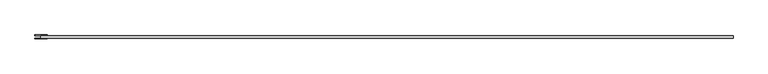
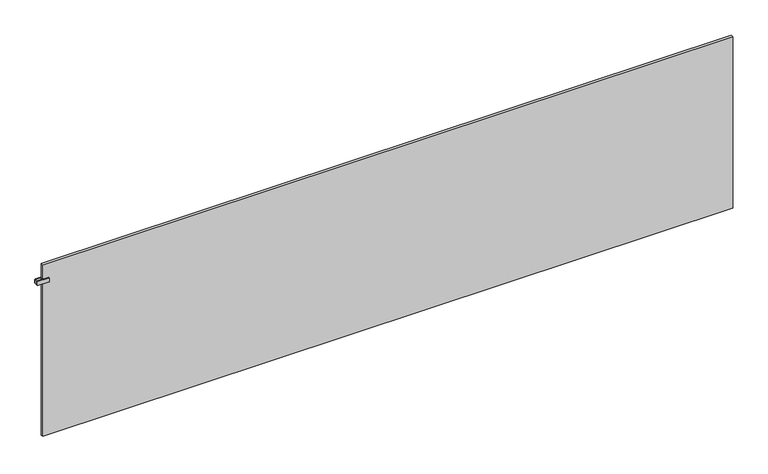
"""IFC4 building model written with IfcOpenShell, lengths in millimetres: plate geometry."""

from ifc_helpers import new_model, si_unit, point, frame, frame_2d, origin, origin_with_axes, place, context, project, spatial, polyline, circle_curve, trimmed, segment, composite_curve, outline, extrude, source, transform, mapped, element, save


def plate_f22da892(model_context):
    return source(origin(), model_context, "Body", "SweptSolid", [
        extrude(outline(polyline([(-1997.5, -38.75), (-1997.5, -25.25), (-1992.5, -25.25), (-1992.5, -38.75), (-1997.5, -38.75)])), frame((0.0, 0.0, 937.5), z_axis=(0.0, 0.0, 1.0), x_axis=(1.0, 0.0, 0.0)), (0.0, 0.0, 1.0), 25.0),
        extrude(outline(composite_curve([segment(trimmed(circle_curve(frame_2d((940.5, -1963.0)), 3.0), [point((937.5, -1963.0))], [point((940.5, -1960.0))], False, "CARTESIAN"), True, "CONTINUOUS"), segment(polyline([(940.5, -1960.0), (959.5, -1960.0)]), True, "CONTINUOUS"), segment(trimmed(circle_curve(frame_2d((959.5, -1963.0)), 3.0), [point((959.5, -1960.0))], [point((962.5, -1963.0))], False, "CARTESIAN"), True, "CONTINUOUS"), segment(polyline([(962.5, -1963.0), (962.5, -2027.0)]), True, "CONTINUOUS"), segment(trimmed(circle_curve(frame_2d((959.5, -2027.0)), 3.0), [point((962.5, -2027.0))], [point((959.5, -2030.0))], False, "CARTESIAN"), True, "CONTINUOUS"), segment(polyline([(959.5, -2030.0), (940.5, -2030.0)]), True, "CONTINUOUS"), segment(trimmed(circle_curve(frame_2d((940.5, -2027.0)), 3.0), [point((940.5, -2030.0))], [point((937.5, -2027.0))], False, "CARTESIAN"), True, "CONTINUOUS"), segment(polyline([(937.5, -2027.0), (937.5, -1963.0)]), True, "CONTINUOUS")], self_intersect=False)), frame((0.0, -25.25, 0.0), z_axis=(0.0, 1.0, 0.0), x_axis=(0.0, 0.0, 1.0)), (0.0, 0.0, 1.0), 5.0),
        extrude(outline(composite_curve([segment(trimmed(circle_curve(frame_2d((940.5, -1963.0)), 3.0), [point((937.5, -1963.0))], [point((940.5, -1960.0))], False, "CARTESIAN"), True, "CONTINUOUS"), segment(polyline([(940.5, -1960.0), (959.5, -1960.0)]), True, "CONTINUOUS"), segment(trimmed(circle_curve(frame_2d((959.5, -1963.0)), 3.0), [point((959.5, -1960.0))], [point((962.5, -1963.0))], False, "CARTESIAN"), True, "CONTINUOUS"), segment(polyline([(962.5, -1963.0), (962.5, -2027.0)]), True, "CONTINUOUS"), segment(trimmed(circle_curve(frame_2d((959.5, -2027.0)), 3.0), [point((962.5, -2027.0))], [point((959.5, -2030.0))], False, "CARTESIAN"), True, "CONTINUOUS"), segment(polyline([(959.5, -2030.0), (940.5, -2030.0)]), True, "CONTINUOUS"), segment(trimmed(circle_curve(frame_2d((940.5, -2027.0)), 3.0), [point((940.5, -2030.0))], [point((937.5, -2027.0))], False, "CARTESIAN"), True, "CONTINUOUS"), segment(polyline([(937.5, -2027.0), (937.5, -1963.0)]), True, "CONTINUOUS")], self_intersect=False)), frame((0.0, -43.75, 0.0), z_axis=(0.0, 1.0, 0.0), x_axis=(0.0, 0.0, 1.0)), (0.0, 0.0, 1.0), 5.0),
        extrude(outline(polyline([(1995.0, -25.25), (1995.0, -38.75), (-1995.0, -38.75), (-1995.0, -25.25), (1995.0, -25.25)])), origin_with_axes(), (0.0, 0.0, 1.0), 1050.0),
    ])


if __name__ == "__main__":
    model = new_model("IFC4")
    model_context = context("Model", 3, world=origin())
    ifc_project = project(units=[si_unit("LENGTHUNIT", "METRE", prefix="MILLI")], contexts=[model_context])
    site = spatial("IfcSite", under=ifc_project)
    building = spatial("IfcBuilding", under=site)
    placement = place(None, origin())
    plate_shape = plate_f22da892(model_context)
    element("IfcPlate", 1, at=placement, inside=building, context=model_context, shape_type="MappedRepresentation", body=[
        mapped(plate_shape, transform((0.0, 0.0, 0.0), x_axis=(1.0, 0.0, 0.0), y_axis=(0.0, 1.0, 0.0), z_axis=(0.0, 0.0, 1.0))),
    ])
    save(model, "model.ifc")
